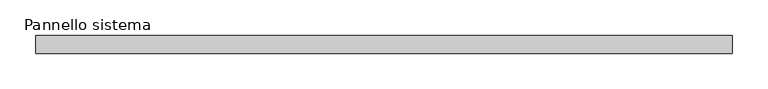
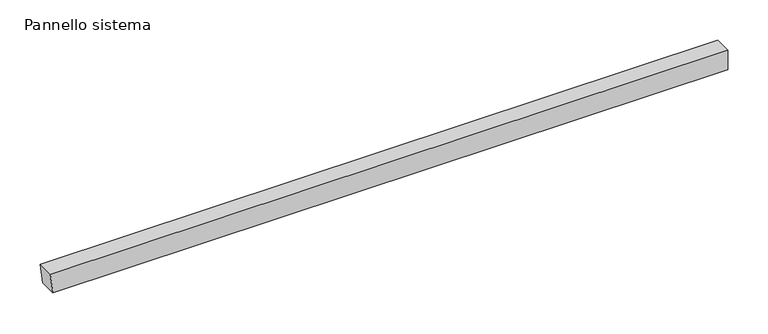
"""IFC4 building model written with IfcOpenShell, lengths in millimetres: plate geometry, Pannello sistema."""

from ifc_helpers import new_model, si_unit, frame, origin, place, context, project, spatial, polyline, outline, extrude, source, transform, mapped, element, save


def pannello_sistema_3f0523d2(model_context):
    return source(origin(), model_context, "Body", "SweptSolid", [
        extrude(outline(polyline([(0.0, -483.5952741), (0.0, 487.1790703), (30.0, 487.1790703), (30.0, -487.1790703), (0.0, -483.5952741)])), frame((0.0, -12.5, 0.0), z_axis=(0.0, 1.0, 0.0), x_axis=(0.0, 0.0, 1.0)), (0.0, 0.0, 1.0), 25.0),
    ])


if __name__ == "__main__":
    model = new_model("IFC4")
    model_context = context("Model", 3, world=origin())
    ifc_project = project(units=[si_unit("LENGTHUNIT", "METRE", prefix="MILLI")], contexts=[model_context])
    site = spatial("IfcSite", under=ifc_project)
    building = spatial("IfcBuilding", under=site)
    placement = place(None, origin())
    pannello_sistema_shape = pannello_sistema_3f0523d2(model_context)
    element("IfcPlate", 1, ObjectType="Pannello sistema", at=placement, inside=building, context=model_context, shape_type="MappedRepresentation", body=[
        mapped(pannello_sistema_shape, transform((0.0, 0.0, 0.0), x_axis=(1.0, 0.0, 0.0), y_axis=(0.0, 1.0, 0.0), z_axis=(0.0, 0.0, 1.0))),
    ])
    save(model, "model.ifc")
